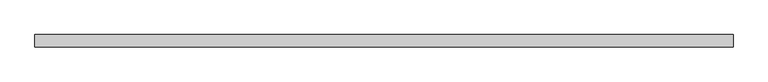
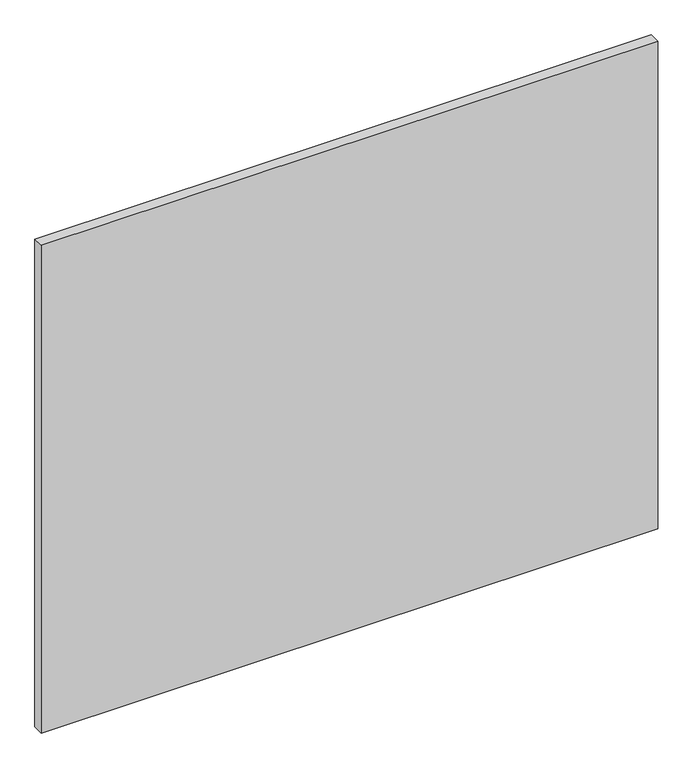
"""IFC4 building model written with IfcOpenShell, lengths in millimetres: proxy geometry."""

from ifc_helpers import new_model, si_unit, frame, origin, place, context, project, spatial, polyline, outline, extrude, source, transform, mapped, element, save


def specialty_equipment_8d5445a6(model_context):
    return source(origin(), model_context, "Body", "SweptSolid", [
        extrude(outline(polyline([(531.5249999, 0.0), (531.5249999, -19.05), (-531.5249999, -19.05), (-531.5249999, 0.0), (531.5249999, 0.0)])), frame((0.0, 0.0, 3.175), z_axis=(0.0, 0.0, 1.0), x_axis=(1.0, 0.0, 0.0)), (0.0, 0.0, 1.0), 889.0),
    ])


if __name__ == "__main__":
    model = new_model("IFC4")
    model_context = context("Model", 3, world=origin())
    ifc_project = project(units=[si_unit("LENGTHUNIT", "METRE", prefix="MILLI")], contexts=[model_context])
    site = spatial("IfcSite", under=ifc_project)
    building = spatial("IfcBuilding", under=site)
    placement = place(None, origin())
    specialty_equipment_shape = specialty_equipment_8d5445a6(model_context)
    element("IfcBuildingElementProxy", 1, Name="Specialty Equipment", at=placement, inside=building, context=model_context, shape_type="MappedRepresentation", body=[
        mapped(specialty_equipment_shape, transform((0.0, 0.0, 0.0), x_axis=(1.0, 0.0, 0.0), y_axis=(0.0, 1.0, 0.0), z_axis=(0.0, 0.0, 1.0))),
    ])
    save(model, "model.ifc")
